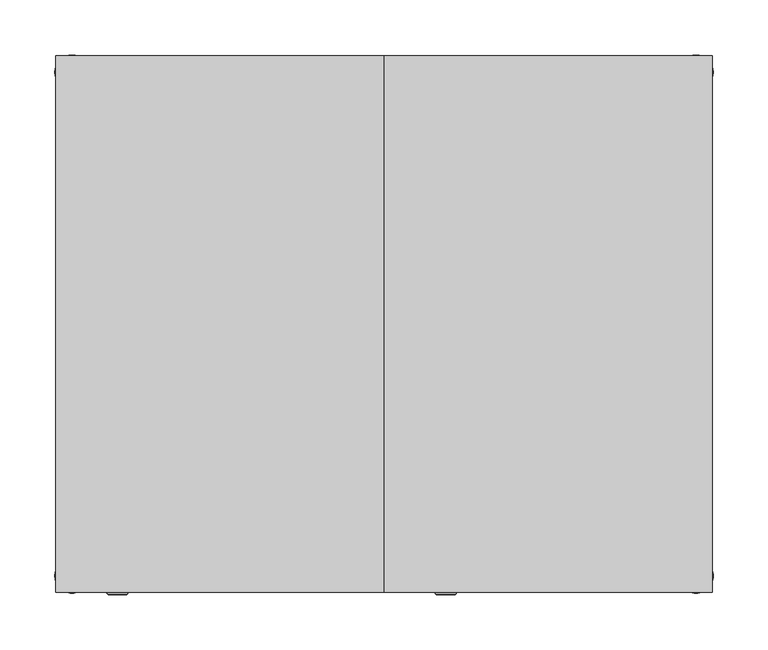
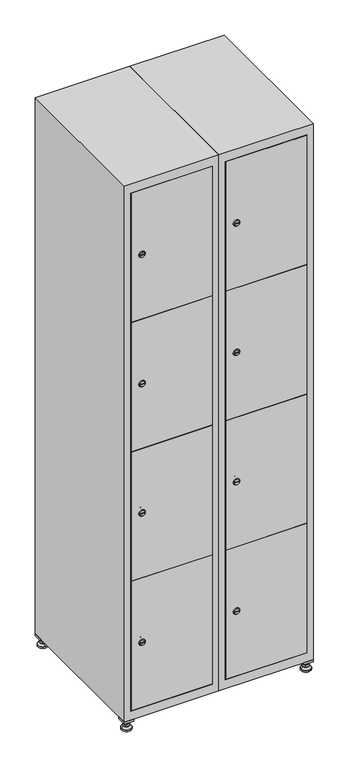
"""IFC4 building model written with IfcOpenShell, lengths in millimetres: furniture geometry."""

from ifc_helpers import new_model, si_unit, point, frame, frame_2d, origin, origin_with_axes, place, context, project, spatial, polyline, circle_curve, trimmed, segment, composite_curve, outline, extrude, faceted_brep, source, transform, mapped, element, save
from ifc_brep_helpers import plane_surface, revolved_surface, advanced_brep


def furniture_9e911278(model_context):
    return source(origin(), model_context, "Body", "SolidModel", [
        extrude(outline(polyline([(400.0, 245.0), (400.0, 215.0), (370.0, 215.0), (370.0, 245.0), (400.0, 245.0)]), holes=[polyline([(398.0, 243.0), (372.0, 243.0), (372.0, 217.0), (398.0, 217.0), (398.0, 243.0)])]), frame((0.0, 0.0, 28.5), z_axis=(0.0, 0.0, 1.0), x_axis=(1.0, 0.0, 0.0)), (0.0, 0.0, 1.0), 6.5),
        extrude(outline(polyline([(370.0, -245.0), (370.0, -215.0), (400.0, -215.0), (400.0, -245.0), (370.0, -245.0)]), holes=[polyline([(372.0, -243.0), (398.0, -243.0), (398.0, -217.0), (372.0, -217.0), (372.0, -243.0)])]), frame((0.0, 0.0, 28.5), z_axis=(0.0, 0.0, 1.0), x_axis=(1.0, 0.0, 0.0)), (0.0, 0.0, 1.0), 6.5),
        extrude(outline(polyline([(-170.0, 245.0), (-170.0, 215.0), (-200.0, 215.0), (-200.0, 245.0), (-170.0, 245.0)]), holes=[polyline([(-172.0, 243.0), (-198.0, 243.0), (-198.0, 217.0), (-172.0, 217.0), (-172.0, 243.0)])]), frame((0.0, 0.0, 28.5), z_axis=(0.0, 0.0, 1.0), x_axis=(1.0, 0.0, 0.0)), (0.0, 0.0, 1.0), 6.5),
        extrude(outline(polyline([(-170.0, -215.0), (-170.0, -245.0), (-200.0, -245.0), (-200.0, -215.0), (-170.0, -215.0)]), holes=[polyline([(-198.0, -243.0), (-172.0, -243.0), (-172.0, -217.0), (-198.0, -217.0), (-198.0, -243.0)])]), frame((0.0, 0.0, 28.5), z_axis=(0.0, 0.0, 1.0), x_axis=(1.0, 0.0, 0.0)), (0.0, 0.0, 1.0), 6.5),
        extrude(outline(composite_curve([segment(trimmed(circle_curve(frame_2d((-185.0, 230.0)), 5.0), [point((-180.0, 230.0))], [point((-190.0, 230.0))], False, "CARTESIAN"), True, "CONTINUOUS"), segment(trimmed(circle_curve(frame_2d((-185.0, 230.0)), 5.0), [point((-190.0, 230.0))], [point((-180.0, 230.0))], False, "CARTESIAN"), True, "CONTINUOUS")], self_intersect=False)), frame((0.0, 0.0, 19.6), z_axis=(0.0, 0.0, 1.0), x_axis=(1.0, 0.0, 0.0)), (0.0, 0.0, 1.0), 15.4),
        extrude(outline(composite_curve([segment(trimmed(circle_curve(frame_2d((-185.0, -230.0)), 5.0), [point((-180.0, -230.0))], [point((-190.0, -230.0))], False, "CARTESIAN"), True, "CONTINUOUS"), segment(trimmed(circle_curve(frame_2d((-185.0, -230.0)), 5.0), [point((-190.0, -230.0))], [point((-180.0, -230.0))], False, "CARTESIAN"), True, "CONTINUOUS")], self_intersect=False)), frame((0.0, 0.0, 19.6), z_axis=(0.0, 0.0, 1.0), x_axis=(1.0, 0.0, 0.0)), (0.0, 0.0, 1.0), 15.4),
        extrude(outline(composite_curve([segment(trimmed(circle_curve(frame_2d((385.0, 230.0)), 5.0), [point((390.0, 230.0))], [point((380.0, 230.0))], False, "CARTESIAN"), True, "CONTINUOUS"), segment(trimmed(circle_curve(frame_2d((385.0, 230.0)), 5.0), [point((380.0, 230.0))], [point((390.0, 230.0))], False, "CARTESIAN"), True, "CONTINUOUS")], self_intersect=False)), frame((0.0, 0.0, 19.6), z_axis=(0.0, 0.0, 1.0), x_axis=(1.0, 0.0, 0.0)), (0.0, 0.0, 1.0), 15.4),
        extrude(outline(polyline([(373.4529946, 230.0), (379.2264973, 240.0), (390.7735027, 240.0), (396.5470054, 230.0), (390.7735027, 220.0), (379.2264973, 220.0), (373.4529946, 230.0)])), frame((0.0, 0.0, 13.6), z_axis=(0.0, 0.0, 1.0), x_axis=(1.0, 0.0, 0.0)), (0.0, 0.0, 1.0), 6.0),
        extrude(outline(composite_curve([segment(trimmed(circle_curve(frame_2d((385.0, -230.0)), 5.0), [point((390.0, -230.0))], [point((380.0, -230.0))], False, "CARTESIAN"), True, "CONTINUOUS"), segment(trimmed(circle_curve(frame_2d((385.0, -230.0)), 5.0), [point((380.0, -230.0))], [point((390.0, -230.0))], False, "CARTESIAN"), True, "CONTINUOUS")], self_intersect=False)), frame((0.0, 0.0, 19.6), z_axis=(0.0, 0.0, 1.0), x_axis=(1.0, 0.0, 0.0)), (0.0, 0.0, 1.0), 15.4),
        extrude(outline(polyline([(373.4529946, -230.0), (379.2264973, -220.0), (390.7735027, -220.0), (396.5470054, -230.0), (390.7735027, -240.0), (379.2264973, -240.0), (373.4529946, -230.0)])), frame((0.0, 0.0, 13.6), z_axis=(0.0, 0.0, 1.0), x_axis=(1.0, 0.0, 0.0)), (0.0, 0.0, 1.0), 6.0),
        extrude(outline(composite_curve([segment(trimmed(circle_curve(frame_2d((385.0, 230.0)), 5.0), [point((390.0, 230.0))], [point((380.0, 230.0))], False, "CARTESIAN"), True, "CONTINUOUS"), segment(trimmed(circle_curve(frame_2d((385.0, 230.0)), 5.0), [point((380.0, 230.0))], [point((390.0, 230.0))], False, "CARTESIAN"), True, "CONTINUOUS")], self_intersect=False)), frame((0.0, 0.0, 12.1), z_axis=(0.0, 0.0, 1.0), x_axis=(1.0, 0.0, 0.0)), (0.0, 0.0, 1.0), 1.5),
        extrude(outline(composite_curve([segment(trimmed(circle_curve(frame_2d((385.0, -230.0)), 5.0), [point((390.0, -230.0))], [point((380.0, -230.0))], False, "CARTESIAN"), True, "CONTINUOUS"), segment(trimmed(circle_curve(frame_2d((385.0, -230.0)), 5.0), [point((380.0, -230.0))], [point((390.0, -230.0))], False, "CARTESIAN"), True, "CONTINUOUS")], self_intersect=False)), frame((0.0, 0.0, 12.1), z_axis=(0.0, 0.0, 1.0), x_axis=(1.0, 0.0, 0.0)), (0.0, 0.0, 1.0), 1.5),
        extrude(outline(polyline([(-196.5470054, 230.0), (-190.7735027, 240.0), (-179.2264973, 240.0), (-173.4529946, 230.0), (-179.2264973, 220.0), (-190.7735027, 220.0), (-196.5470054, 230.0)])), frame((0.0, 0.0, 13.6), z_axis=(0.0, 0.0, 1.0), x_axis=(1.0, 0.0, 0.0)), (0.0, 0.0, 1.0), 6.0),
        extrude(outline(polyline([(-196.5470054, -230.0), (-190.7735027, -220.0), (-179.2264973, -220.0), (-173.4529946, -230.0), (-179.2264973, -240.0), (-190.7735027, -240.0), (-196.5470054, -230.0)])), frame((0.0, 0.0, 13.6), z_axis=(0.0, 0.0, 1.0), x_axis=(1.0, 0.0, 0.0)), (0.0, 0.0, 1.0), 6.0),
        extrude(outline(composite_curve([segment(trimmed(circle_curve(frame_2d((-185.0, 230.0)), 5.0), [point((-185.0, 235.0))], [point((-185.0, 225.0))], False, "CARTESIAN"), True, "CONTINUOUS"), segment(trimmed(circle_curve(frame_2d((-185.0, 230.0)), 5.0), [point((-185.0, 225.0))], [point((-185.0, 235.0))], False, "CARTESIAN"), True, "CONTINUOUS")], self_intersect=False)), frame((0.0, 0.0, 12.1), z_axis=(0.0, 0.0, 1.0), x_axis=(1.0, 0.0, 0.0)), (0.0, 0.0, 1.0), 1.5),
        extrude(outline(composite_curve([segment(trimmed(circle_curve(frame_2d((-185.0, -230.0)), 5.0), [point((-180.0, -230.0))], [point((-190.0, -230.0))], False, "CARTESIAN"), True, "CONTINUOUS"), segment(trimmed(circle_curve(frame_2d((-185.0, -230.0)), 5.0), [point((-190.0, -230.0))], [point((-180.0, -230.0))], False, "CARTESIAN"), True, "CONTINUOUS")], self_intersect=False)), frame((0.0, 0.0, 12.1), z_axis=(0.0, 0.0, 1.0), x_axis=(1.0, 0.0, 0.0)), (0.0, 0.0, 1.0), 1.5),
        extrude(outline(composite_curve([segment(trimmed(circle_curve(frame_2d((385.0, 230.0)), 15.75), [point((400.75, 230.0))], [point((369.25, 230.0))], False, "CARTESIAN"), True, "CONTINUOUS"), segment(trimmed(circle_curve(frame_2d((385.0, 230.0)), 15.75), [point((369.25, 230.0))], [point((400.75, 230.0))], False, "CARTESIAN"), True, "CONTINUOUS")], self_intersect=False)), origin_with_axes(), (0.0, 0.0, 1.0), 5.1),
        extrude(outline(composite_curve([segment(trimmed(circle_curve(frame_2d((385.0, -230.0)), 15.75), [point((385.0, -214.25))], [point((385.0, -245.75))], False, "CARTESIAN"), True, "CONTINUOUS"), segment(trimmed(circle_curve(frame_2d((385.0, -230.0)), 15.75), [point((385.0, -245.75))], [point((385.0, -214.25))], False, "CARTESIAN"), True, "CONTINUOUS")], self_intersect=False)), origin_with_axes(), (0.0, 0.0, 1.0), 5.1),
        extrude(outline(composite_curve([segment(trimmed(circle_curve(frame_2d((-185.0, -230.0)), 15.75), [point((-169.25, -230.0))], [point((-200.75, -230.0))], False, "CARTESIAN"), True, "CONTINUOUS"), segment(trimmed(circle_curve(frame_2d((-185.0, -230.0)), 15.75), [point((-200.75, -230.0))], [point((-169.25, -230.0))], False, "CARTESIAN"), True, "CONTINUOUS")], self_intersect=False)), origin_with_axes(), (0.0, 0.0, 1.0), 5.1),
        extrude(outline(composite_curve([segment(trimmed(circle_curve(frame_2d((-185.0, 230.0)), 15.75), [point((-169.25, 230.0))], [point((-200.75, 230.0))], False, "CARTESIAN"), True, "CONTINUOUS"), segment(trimmed(circle_curve(frame_2d((-185.0, 230.0)), 15.75), [point((-200.75, 230.0))], [point((-169.25, 230.0))], False, "CARTESIAN"), True, "CONTINUOUS")], self_intersect=False)), origin_with_axes(), (0.0, 0.0, 1.0), 5.1),
        advanced_brep(
        [(-185.0, 245.75, 5.1), (-185.0, 214.25, 5.1), (-185.0, 239.5, 12.1), (-185.0, 220.5, 12.1)],
        [
            (0, 1, circle_curve(frame((-185.0, 230.0, 5.1), z_axis=(0.0, 0.0, -1.0), x_axis=(0.0, 1.0, 0.0)), 15.75)),
            (1, 0, circle_curve(frame((-185.0, 230.0, 5.1), z_axis=(0.0, 0.0, -1.0), x_axis=(0.0, -1.0, 0.0)), 15.75)),
            (2, 3, circle_curve(frame((-185.0, 230.0, 12.1), z_axis=(0.0, 0.0, 1.0), x_axis=(0.0, -1.0, 0.0)), 9.5)),
            (3, 2, circle_curve(frame((-185.0, 230.0, 12.1), z_axis=(0.0, 0.0, 1.0), x_axis=(0.0, 1.0, 0.0)), 9.5)),
            (3, 1),
            (0, 2),
        ],
        [
            plane_surface(frame((-185.0, 230.0, 5.1), z_axis=(0.0, 0.0, -1.0), x_axis=(1.0, 0.0, 0.0))),
            plane_surface(frame((-185.0, 230.0, 12.1), z_axis=(0.0, 0.0, 1.0), x_axis=(1.0, 0.0, 0.0))),
            revolved_surface(polyline([(-185.0, 220.5, 12.099999999999998), (-185.0, 214.25, 5.099999999999998)]), (-185.0, 230.0, 22.74), (0.0, 0.0, -1.0)),
            revolved_surface(polyline([(-185.0, 239.5, 12.099999999999998), (-185.0, 245.75, 5.099999999999998)]), (-185.0, 230.0, 22.74), (0.0, 0.0, -1.0)),
        ],
        [
            (0, [[1, 2]]),
            (1, [[3, 4]]),
            (2, [[-4, 5, -1, 6]]),
            (3, [[-3, -6, -2, -5]]),
        ],
    ),
        advanced_brep(
        [(385.0, 245.75, 5.1), (385.0, 214.25, 5.1), (385.0, 239.5, 12.1), (385.0, 220.5, 12.1)],
        [
            (0, 1, circle_curve(frame((385.0, 230.0, 5.1), z_axis=(0.0, 0.0, -1.0), x_axis=(0.0, 1.0, 0.0)), 15.75)),
            (1, 0, circle_curve(frame((385.0, 230.0, 5.1), z_axis=(0.0, 0.0, -1.0), x_axis=(0.0, -1.0, 0.0)), 15.75)),
            (2, 3, circle_curve(frame((385.0, 230.0, 12.1), z_axis=(0.0, 0.0, 1.0), x_axis=(0.0, -1.0, 0.0)), 9.5)),
            (3, 2, circle_curve(frame((385.0, 230.0, 12.1), z_axis=(0.0, 0.0, 1.0), x_axis=(0.0, 1.0, 0.0)), 9.5)),
            (3, 1),
            (0, 2),
        ],
        [
            plane_surface(frame((385.0, 230.0, 5.1), z_axis=(0.0, 0.0, -1.0), x_axis=(1.0, 0.0, 0.0))),
            plane_surface(frame((385.0, 230.0, 12.1), z_axis=(0.0, 0.0, 1.0), x_axis=(1.0, 0.0, 0.0))),
            revolved_surface(polyline([(385.0, 220.5, 12.099999999999998), (385.0, 214.25, 5.099999999999998)]), (385.0, 230.0, 22.74), (0.0, 0.0, -1.0)),
            revolved_surface(polyline([(385.0, 239.5, 12.099999999999998), (385.0, 245.75, 5.099999999999998)]), (385.0, 230.0, 22.74), (0.0, 0.0, -1.0)),
        ],
        [
            (0, [[1, 2]]),
            (1, [[3, 4]]),
            (2, [[-4, 5, -1, 6]]),
            (3, [[-3, -6, -2, -5]]),
        ],
    ),
        advanced_brep(
        [(394.5, -230.0, 12.1), (375.5, -230.0, 12.1), (400.75, -230.0, 5.1), (369.25, -230.0, 5.1)],
        [
            (0, 1, circle_curve(frame((385.0, -230.0, 12.1), z_axis=(0.0, 0.0, 1.0), x_axis=(1.0, 0.0, 0.0)), 9.5)),
            (1, 0, circle_curve(frame((385.0, -230.0, 12.1), z_axis=(0.0, 0.0, 1.0), x_axis=(-1.0, 0.0, 0.0)), 9.5)),
            (2, 3, circle_curve(frame((385.0, -230.0, 5.1), z_axis=(0.0, 0.0, -1.0), x_axis=(-1.0, 0.0, 0.0)), 15.75)),
            (3, 2, circle_curve(frame((385.0, -230.0, 5.1), z_axis=(0.0, 0.0, -1.0), x_axis=(1.0, 0.0, 0.0)), 15.75)),
            (3, 1),
            (0, 2),
        ],
        [
            plane_surface(frame((385.0, -230.0, 12.1), z_axis=(0.0, 0.0, 1.0), x_axis=(0.0, 1.0, 0.0))),
            plane_surface(frame((385.0, -230.0, 5.1), z_axis=(0.0, 0.0, -1.0), x_axis=(0.0, 1.0, 0.0))),
            revolved_surface(polyline([(394.5, -230.0, 12.099999999999998), (400.75, -230.0, 5.099999999999998)]), (385.0, -230.0, 22.74), (0.0, 0.0, -1.0)),
            revolved_surface(polyline([(375.5, -230.0, 12.099999999999998), (369.25, -230.0, 5.099999999999998)]), (385.0, -230.0, 22.74), (0.0, 0.0, -1.0)),
        ],
        [
            (0, [[1, 2]]),
            (1, [[3, 4]]),
            (2, [[-4, 5, -1, 6]]),
            (3, [[-3, -6, -2, -5]]),
        ],
    ),
        advanced_brep(
        [(-175.5, -230.0, 12.1), (-194.5, -230.0, 12.1), (-169.25, -230.0, 5.1), (-200.75, -230.0, 5.1)],
        [
            (0, 1, circle_curve(frame((-185.0, -230.0, 12.1), z_axis=(0.0, 0.0, 1.0), x_axis=(1.0, 0.0, 0.0)), 9.5)),
            (1, 0, circle_curve(frame((-185.0, -230.0, 12.1), z_axis=(0.0, 0.0, 1.0), x_axis=(-1.0, 0.0, 0.0)), 9.5)),
            (2, 3, circle_curve(frame((-185.0, -230.0, 5.1), z_axis=(0.0, 0.0, -1.0), x_axis=(-1.0, 0.0, 0.0)), 15.75)),
            (3, 2, circle_curve(frame((-185.0, -230.0, 5.1), z_axis=(0.0, 0.0, -1.0), x_axis=(1.0, 0.0, 0.0)), 15.75)),
            (3, 1),
            (0, 2),
        ],
        [
            plane_surface(frame((-185.0, -230.0, 12.1), z_axis=(0.0, 0.0, 1.0), x_axis=(0.0, 1.0, 0.0))),
            plane_surface(frame((-185.0, -230.0, 5.1), z_axis=(0.0, 0.0, -1.0), x_axis=(0.0, 1.0, 0.0))),
            revolved_surface(polyline([(-175.5, -230.0, 12.099999999999998), (-169.25, -230.0, 5.099999999999998)]), (-185.0, -230.0, 22.74), (0.0, 0.0, -1.0)),
            revolved_surface(polyline([(-194.5, -230.0, 12.099999999999998), (-200.75, -230.0, 5.099999999999998)]), (-185.0, -230.0, 22.74), (0.0, 0.0, -1.0)),
        ],
        [
            (0, [[1, 2]]),
            (1, [[3, 4]]),
            (2, [[-4, 5, -1, 6]]),
            (3, [[-3, -6, -2, -5]]),
        ],
    ),
        extrude(outline(composite_curve([segment(trimmed(circle_curve(frame_2d((283.4, 129.6010534)), 7.0), [point((290.4, 129.6010534))], [point((276.4, 129.6010534))], False, "CARTESIAN"), True, "CONTINUOUS"), segment(polyline([(276.4, 129.6010534), (276.4, 157.6010534)]), True, "CONTINUOUS"), segment(trimmed(circle_curve(frame_2d((283.4, 157.6010534)), 7.0), [point((276.4, 157.6010534))], [point((290.4, 157.6010534))], False, "CARTESIAN"), True, "CONTINUOUS"), segment(polyline([(290.4, 157.6010534), (290.4, 129.6010534)]), True, "CONTINUOUS")], self_intersect=False)), frame((0.0, -227.0, 0.0), z_axis=(0.0, 1.0, 0.0), x_axis=(0.0, 0.0, 1.0)), (0.0, 0.0, 1.0), 2.0),
        advanced_brep(
        [(164.9, -247.2, 283.4), (147.9, -247.2, 283.4), (151.4, -247.2, 282.15), (151.4, -247.2, 284.65), (161.4, -247.2, 284.65), (161.4, -247.2, 282.15), (166.9, -245.0, 283.4), (145.9, -245.0, 283.4), (151.4, -245.0, 284.65), (151.4, -245.0, 282.15), (161.4, -245.0, 282.15), (161.4, -245.0, 284.65)],
        [
            (0, 1, circle_curve(frame((156.4, -247.2, 283.4), z_axis=(0.0, -1.0, 0.0), x_axis=(1.0, 0.0, 0.0)), 8.5)),
            (1, 0, circle_curve(frame((156.4, -247.2, 283.4), z_axis=(0.0, -1.0, 0.0), x_axis=(-1.0, 0.0, 0.0)), 8.5)),
            (2, 3),
            (3, 4),
            (4, 5),
            (5, 2),
            (6, 7, circle_curve(frame((156.4, -245.0, 283.4), z_axis=(0.0, 1.0, 0.0), x_axis=(-1.0, 0.0, 0.0)), 10.5)),
            (7, 6, circle_curve(frame((156.4, -245.0, 283.4), z_axis=(0.0, 1.0, 0.0), x_axis=(1.0, 0.0, 0.0)), 10.5)),
            (8, 9),
            (9, 10),
            (10, 11),
            (11, 8),
            (0, 6),
            (7, 1),
            (8, 3),
            (2, 9),
            (11, 4),
            (10, 5),
        ],
        [
            plane_surface(frame((156.4, -247.2, 283.4), z_axis=(0.0, -1.0, 0.0), x_axis=(0.0, 0.0, 1.0))),
            plane_surface(frame((156.4, -245.0, 283.4), z_axis=(0.0, 1.0, 0.0), x_axis=(0.0, 0.0, 1.0))),
            revolved_surface(polyline([(164.9, -247.2, 283.4), (166.9, -245.0, 283.4)]), (156.4, -256.55, 283.4), (0.0, 1.0, 0.0)),
            revolved_surface(polyline([(147.9, -247.2, 283.4), (145.9, -245.0, 283.4)]), (156.4, -256.55, 283.4), (0.0, 1.0, 0.0)),
            plane_surface(frame((151.4, -245.0, 282.15), z_axis=(1.0, 0.0, 0.0), x_axis=(0.0, -1.0, 0.0))),
            plane_surface(frame((151.4, -245.0, 284.65), z_axis=(0.0, 0.0, -1.0), x_axis=(0.0, -1.0, 0.0))),
            plane_surface(frame((161.4, -245.0, 284.65), z_axis=(-1.0, 0.0, 0.0), x_axis=(0.0, -1.0, 0.0))),
            plane_surface(frame((161.4, -245.0, 282.15), z_axis=(0.0, 0.0, 1.0), x_axis=(0.0, -1.0, 0.0))),
        ],
        [
            (0, [[1, 2], [3, 4, 5, 6]]),
            (1, [[7, 8], [9, 10, 11, 12]]),
            (2, [[-1, 13, -8, 14]]),
            (3, [[-2, -14, -7, -13]]),
            (4, [[15, -3, 16, -9]]),
            (5, [[-15, -12, 17, -4]]),
            (6, [[-17, -11, 18, -5]]),
            (7, [[-16, -6, -18, -10]]),
        ],
    ),
        extrude(outline(composite_curve([segment(trimmed(circle_curve(frame_2d((717.8, 129.6010534)), 7.0), [point((724.8, 129.6010534))], [point((710.8, 129.6010534))], False, "CARTESIAN"), True, "CONTINUOUS"), segment(polyline([(710.8, 129.6010534), (710.8, 157.6010534)]), True, "CONTINUOUS"), segment(trimmed(circle_curve(frame_2d((717.8, 157.6010534)), 7.0), [point((710.8, 157.6010534))], [point((724.8, 157.6010534))], False, "CARTESIAN"), True, "CONTINUOUS"), segment(polyline([(724.8, 157.6010534), (724.8, 129.6010534)]), True, "CONTINUOUS")], self_intersect=False)), frame((0.0, -227.0, 0.0), z_axis=(0.0, 1.0, 0.0), x_axis=(0.0, 0.0, 1.0)), (0.0, 0.0, 1.0), 2.0),
        advanced_brep(
        [(164.9, -247.2, 717.8), (147.9, -247.2, 717.8), (151.4, -247.2, 716.55), (151.4, -247.2, 719.05), (161.4, -247.2, 719.05), (161.4, -247.2, 716.55), (166.9, -245.0, 717.8), (145.9, -245.0, 717.8), (151.4, -245.0, 719.05), (151.4, -245.0, 716.55), (161.4, -245.0, 716.55), (161.4, -245.0, 719.05)],
        [
            (0, 1, circle_curve(frame((156.4, -247.2, 717.8), z_axis=(0.0, -1.0, 0.0), x_axis=(1.0, 0.0, 0.0)), 8.5)),
            (1, 0, circle_curve(frame((156.4, -247.2, 717.8), z_axis=(0.0, -1.0, 0.0), x_axis=(-1.0, 0.0, 0.0)), 8.5)),
            (2, 3),
            (3, 4),
            (4, 5),
            (5, 2),
            (6, 7, circle_curve(frame((156.4, -245.0, 717.8), z_axis=(0.0, 1.0, 0.0), x_axis=(-1.0, 0.0, 0.0)), 10.5)),
            (7, 6, circle_curve(frame((156.4, -245.0, 717.8), z_axis=(0.0, 1.0, 0.0), x_axis=(1.0, 0.0, 0.0)), 10.5)),
            (8, 9),
            (9, 10),
            (10, 11),
            (11, 8),
            (0, 6),
            (7, 1),
            (8, 3),
            (2, 9),
            (11, 4),
            (10, 5),
        ],
        [
            plane_surface(frame((156.4, -247.2, 717.8), z_axis=(0.0, -1.0, 0.0), x_axis=(0.0, 0.0, 1.0))),
            plane_surface(frame((156.4, -245.0, 717.8), z_axis=(0.0, 1.0, 0.0), x_axis=(0.0, 0.0, 1.0))),
            revolved_surface(polyline([(164.9, -247.2, 717.8), (166.9, -245.0, 717.8)]), (156.4, -256.55, 717.8), (0.0, 1.0, 0.0)),
            revolved_surface(polyline([(147.9, -247.2, 717.8), (145.9, -245.0, 717.8)]), (156.4, -256.55, 717.8), (0.0, 1.0, 0.0)),
            plane_surface(frame((151.4, -245.0, 716.55), z_axis=(1.0, 0.0, 0.0), x_axis=(0.0, -1.0, 0.0))),
            plane_surface(frame((151.4, -245.0, 719.05), z_axis=(0.0, 0.0, -1.0), x_axis=(0.0, -1.0, 0.0))),
            plane_surface(frame((161.4, -245.0, 719.05), z_axis=(-1.0, 0.0, 0.0), x_axis=(0.0, -1.0, 0.0))),
            plane_surface(frame((161.4, -245.0, 716.55), z_axis=(0.0, 0.0, 1.0), x_axis=(0.0, -1.0, 0.0))),
        ],
        [
            (0, [[1, 2], [3, 4, 5, 6]]),
            (1, [[7, 8], [9, 10, 11, 12]]),
            (2, [[-1, 13, -8, 14]]),
            (3, [[-2, -14, -7, -13]]),
            (4, [[15, -3, 16, -9]]),
            (5, [[-15, -12, 17, -4]]),
            (6, [[-17, -11, 18, -5]]),
            (7, [[-16, -6, -18, -10]]),
        ],
    ),
        extrude(outline(composite_curve([segment(trimmed(circle_curve(frame_2d((1152.2, 129.6010534)), 7.0), [point((1159.2, 129.6010534))], [point((1145.2, 129.6010534))], False, "CARTESIAN"), True, "CONTINUOUS"), segment(polyline([(1145.2, 129.6010534), (1145.2, 157.6010534)]), True, "CONTINUOUS"), segment(trimmed(circle_curve(frame_2d((1152.2, 157.6010534)), 7.0), [point((1145.2, 157.6010534))], [point((1159.2, 157.6010534))], False, "CARTESIAN"), True, "CONTINUOUS"), segment(polyline([(1159.2, 157.6010534), (1159.2, 129.6010534)]), True, "CONTINUOUS")], self_intersect=False)), frame((0.0, -227.0, 0.0), z_axis=(0.0, 1.0, 0.0), x_axis=(0.0, 0.0, 1.0)), (0.0, 0.0, 1.0), 2.0),
        advanced_brep(
        [(164.9, -247.2, 1152.2), (147.9, -247.2, 1152.2), (151.4, -247.2, 1150.95), (151.4, -247.2, 1153.45), (161.4, -247.2, 1153.45), (161.4, -247.2, 1150.95), (166.9, -245.0, 1152.2), (145.9, -245.0, 1152.2), (151.4, -245.0, 1153.45), (151.4, -245.0, 1150.95), (161.4, -245.0, 1150.95), (161.4, -245.0, 1153.45)],
        [
            (0, 1, circle_curve(frame((156.4, -247.2, 1152.2), z_axis=(0.0, -1.0, 0.0), x_axis=(1.0, 0.0, 0.0)), 8.5)),
            (1, 0, circle_curve(frame((156.4, -247.2, 1152.2), z_axis=(0.0, -1.0, 0.0), x_axis=(-1.0, 0.0, 0.0)), 8.5)),
            (2, 3),
            (3, 4),
            (4, 5),
            (5, 2),
            (6, 7, circle_curve(frame((156.4, -245.0, 1152.2), z_axis=(0.0, 1.0, 0.0), x_axis=(-1.0, 0.0, 0.0)), 10.5)),
            (7, 6, circle_curve(frame((156.4, -245.0, 1152.2), z_axis=(0.0, 1.0, 0.0), x_axis=(1.0, 0.0, 0.0)), 10.5)),
            (8, 9),
            (9, 10),
            (10, 11),
            (11, 8),
            (0, 6),
            (7, 1),
            (8, 3),
            (2, 9),
            (11, 4),
            (10, 5),
        ],
        [
            plane_surface(frame((156.4, -247.2, 1152.2), z_axis=(0.0, -1.0, 0.0), x_axis=(0.0, 0.0, 1.0))),
            plane_surface(frame((156.4, -245.0, 1152.2), z_axis=(0.0, 1.0, 0.0), x_axis=(0.0, 0.0, 1.0))),
            revolved_surface(polyline([(164.9, -247.2, 1152.2), (166.9, -245.0, 1152.2)]), (156.4, -256.55, 1152.2), (0.0, 1.0, 0.0)),
            revolved_surface(polyline([(147.9, -247.2, 1152.2), (145.9, -245.0, 1152.2)]), (156.4, -256.55, 1152.2), (0.0, 1.0, 0.0)),
            plane_surface(frame((151.4, -245.0, 1150.95), z_axis=(1.0, 0.0, 0.0), x_axis=(0.0, -1.0, 0.0))),
            plane_surface(frame((151.4, -245.0, 1153.45), z_axis=(0.0, 0.0, -1.0), x_axis=(0.0, -1.0, 0.0))),
            plane_surface(frame((161.4, -245.0, 1153.45), z_axis=(-1.0, 0.0, 0.0), x_axis=(0.0, -1.0, 0.0))),
            plane_surface(frame((161.4, -245.0, 1150.95), z_axis=(0.0, 0.0, 1.0), x_axis=(0.0, -1.0, 0.0))),
        ],
        [
            (0, [[1, 2], [3, 4, 5, 6]]),
            (1, [[7, 8], [9, 10, 11, 12]]),
            (2, [[-1, 13, -8, 14]]),
            (3, [[-2, -14, -7, -13]]),
            (4, [[15, -3, 16, -9]]),
            (5, [[-15, -12, 17, -4]]),
            (6, [[-17, -11, 18, -5]]),
            (7, [[-16, -6, -18, -10]]),
        ],
    ),
        extrude(outline(composite_curve([segment(trimmed(circle_curve(frame_2d((1586.6, 129.6010534)), 7.0), [point((1593.6, 129.6010534))], [point((1579.6, 129.6010534))], False, "CARTESIAN"), True, "CONTINUOUS"), segment(polyline([(1579.6, 129.6010534), (1579.6, 157.6010534)]), True, "CONTINUOUS"), segment(trimmed(circle_curve(frame_2d((1586.6, 157.6010534)), 7.0), [point((1579.6, 157.6010534))], [point((1593.6, 157.6010534))], False, "CARTESIAN"), True, "CONTINUOUS"), segment(polyline([(1593.6, 157.6010534), (1593.6, 129.6010534)]), True, "CONTINUOUS")], self_intersect=False)), frame((0.0, -227.0, 0.0), z_axis=(0.0, 1.0, 0.0), x_axis=(0.0, 0.0, 1.0)), (0.0, 0.0, 1.0), 2.0),
        advanced_brep(
        [(164.9, -247.2, 1586.6), (147.9, -247.2, 1586.6), (151.4, -247.2, 1585.35), (151.4, -247.2, 1587.85), (161.4, -247.2, 1587.85), (161.4, -247.2, 1585.35), (166.9, -245.0, 1586.6), (145.9, -245.0, 1586.6), (151.4, -245.0, 1587.85), (151.4, -245.0, 1585.35), (161.4, -245.0, 1585.35), (161.4, -245.0, 1587.85)],
        [
            (0, 1, circle_curve(frame((156.4, -247.2, 1586.6), z_axis=(0.0, -1.0, 0.0), x_axis=(1.0, 0.0, 0.0)), 8.5)),
            (1, 0, circle_curve(frame((156.4, -247.2, 1586.6), z_axis=(0.0, -1.0, 0.0), x_axis=(-1.0, 0.0, 0.0)), 8.5)),
            (2, 3),
            (3, 4),
            (4, 5),
            (5, 2),
            (6, 7, circle_curve(frame((156.4, -245.0, 1586.6), z_axis=(0.0, 1.0, 0.0), x_axis=(-1.0, 0.0, 0.0)), 10.5)),
            (7, 6, circle_curve(frame((156.4, -245.0, 1586.6), z_axis=(0.0, 1.0, 0.0), x_axis=(1.0, 0.0, 0.0)), 10.5)),
            (8, 9),
            (9, 10),
            (10, 11),
            (11, 8),
            (0, 6),
            (7, 1),
            (8, 3),
            (2, 9),
            (11, 4),
            (10, 5),
        ],
        [
            plane_surface(frame((156.4, -247.2, 1586.6), z_axis=(0.0, -1.0, 0.0), x_axis=(0.0, 0.0, 1.0))),
            plane_surface(frame((156.4, -245.0, 1586.6), z_axis=(0.0, 1.0, 0.0), x_axis=(0.0, 0.0, 1.0))),
            revolved_surface(polyline([(164.9, -247.2, 1586.6), (166.9, -245.0, 1586.6)]), (156.4, -256.55, 1586.6), (0.0, 1.0, 0.0)),
            revolved_surface(polyline([(147.9, -247.2, 1586.6), (145.9, -245.0, 1586.6)]), (156.4, -256.55, 1586.6), (0.0, 1.0, 0.0)),
            plane_surface(frame((151.4, -245.0, 1585.35), z_axis=(1.0, 0.0, 0.0), x_axis=(0.0, -1.0, 0.0))),
            plane_surface(frame((151.4, -245.0, 1587.85), z_axis=(0.0, 0.0, -1.0), x_axis=(0.0, -1.0, 0.0))),
            plane_surface(frame((161.4, -245.0, 1587.85), z_axis=(-1.0, 0.0, 0.0), x_axis=(0.0, -1.0, 0.0))),
            plane_surface(frame((161.4, -245.0, 1585.35), z_axis=(0.0, 0.0, 1.0), x_axis=(0.0, -1.0, 0.0))),
        ],
        [
            (0, [[1, 2], [3, 4, 5, 6]]),
            (1, [[7, 8], [9, 10, 11, 12]]),
            (2, [[-1, 13, -8, 14]]),
            (3, [[-2, -14, -7, -13]]),
            (4, [[15, -3, 16, -9]]),
            (5, [[-15, -12, 17, -4]]),
            (6, [[-17, -11, 18, -5]]),
            (7, [[-16, -6, -18, -10]]),
        ],
    ),
        extrude(outline(polyline([(378.6, -227.0), (378.6, -245.0), (121.4, -245.0), (121.4, -227.0), (378.6, -227.0)])), frame((0.0, 0.0, 500.1), z_axis=(0.0, 0.0, 1.0), x_axis=(1.0, 0.0, 0.0)), (0.0, 0.0, 1.0), 434.4),
        extrude(outline(polyline([(378.6, -227.0), (378.6, -245.0), (121.4, -245.0), (121.4, -227.0), (378.6, -227.0)])), frame((0.0, 0.0, 935.5), z_axis=(0.0, 0.0, 1.0), x_axis=(1.0, 0.0, 0.0)), (0.0, 0.0, 1.0), 433.4),
        extrude(outline(polyline([(121.4, -245.0), (121.4, -227.0), (378.6, -227.0), (378.6, -245.0), (121.4, -245.0)])), frame((0.0, 0.0, 1369.9), z_axis=(0.0, 0.0, 1.0), x_axis=(1.0, 0.0, 0.0)), (0.0, 0.0, 1.0), 433.9),
        extrude(outline(polyline([(378.6, -227.0), (378.6, -245.0), (121.4, -245.0), (121.4, -227.0), (378.6, -227.0)])), frame((0.0, 0.0, 66.2), z_axis=(0.0, 0.0, 1.0), x_axis=(1.0, 0.0, 0.0)), (0.0, 0.0, 1.0), 434.9),
        extrude(outline(polyline([(379.6, 242.0), (379.6, -227.0), (120.4, -227.0), (120.4, 242.0), (379.6, 242.0)])), frame((0.0, 0.0, 1359.7), z_axis=(0.0, 0.0, 1.0), x_axis=(1.0, 0.0, 0.0)), (0.0, 0.0, 1.0), 20.4),
        extrude(outline(polyline([(379.6, 242.0), (379.6, -227.0), (120.4, -227.0), (120.4, 242.0), (379.6, 242.0)])), frame((0.0, 0.0, 924.8), z_axis=(0.0, 0.0, 1.0), x_axis=(1.0, 0.0, 0.0)), (0.0, 0.0, 1.0), 20.4),
        extrude(outline(polyline([(379.6, 242.0), (379.6, -227.0), (120.4, -227.0), (120.4, 242.0), (379.6, 242.0)])), frame((0.0, 0.0, 489.9), z_axis=(0.0, 0.0, 1.0), x_axis=(1.0, 0.0, 0.0)), (0.0, 0.0, 1.0), 20.4),
        faceted_brep([(400.0, -245.0, 35.0), (400.0, -245.0, 1835.0), (100.0, -245.0, 1835.0), (100.0, -245.0, 35.0), (379.6, -245.0, 1804.8), (379.6, -245.0, 65.2), (120.4, -245.0, 65.2), (120.4, -245.0, 1804.8), (400.0, 245.0, 35.0), (100.0, 245.0, 35.0), (400.0, 245.0, 1835.0), (100.0, 245.0, 1835.0), (379.6, 242.0, 1804.8), (379.6, 242.0, 65.2), (100.0, 245.0, 1804.8), (120.4, 242.0, 1804.8), (120.4, 242.0, 65.2)], [[[0, 1, 2, 3], [4, 5, 6, 7]], [[8, 0, 3, 9]], [[1, 0, 8, 10]], [[1, 10, 11, 2]], [[4, 12, 13, 5]], [[9, 3, 2, 11, 14]], [[10, 8, 9, 14, 11]], [[12, 15, 16, 13]], [[15, 7, 6, 16]], [[4, 7, 15, 12]], [[6, 5, 13, 16]]]),
        extrude(outline(composite_curve([segment(trimmed(circle_curve(frame_2d((283.4, -170.3989466)), 7.0), [point((290.4, -170.3989466))], [point((276.4, -170.3989466))], False, "CARTESIAN"), True, "CONTINUOUS"), segment(polyline([(276.4, -170.3989466), (276.4, -142.3989466)]), True, "CONTINUOUS"), segment(trimmed(circle_curve(frame_2d((283.4, -142.3989466)), 7.0), [point((276.4, -142.3989466))], [point((290.4, -142.3989466))], False, "CARTESIAN"), True, "CONTINUOUS"), segment(polyline([(290.4, -142.3989466), (290.4, -170.3989466)]), True, "CONTINUOUS")], self_intersect=False)), frame((0.0, -227.0, 0.0), z_axis=(0.0, 1.0, 0.0), x_axis=(0.0, 0.0, 1.0)), (0.0, 0.0, 1.0), 2.0),
        advanced_brep(
        [(-135.1, -247.2, 283.4), (-152.1, -247.2, 283.4), (-148.6, -247.2, 282.15), (-148.6, -247.2, 284.65), (-138.6, -247.2, 284.65), (-138.6, -247.2, 282.15), (-133.1, -245.0, 283.4), (-154.1, -245.0, 283.4), (-148.6, -245.0, 284.65), (-148.6, -245.0, 282.15), (-138.6, -245.0, 282.15), (-138.6, -245.0, 284.65)],
        [
            (0, 1, circle_curve(frame((-143.6, -247.2, 283.4), z_axis=(0.0, -1.0, 0.0), x_axis=(1.0, 0.0, 0.0)), 8.5)),
            (1, 0, circle_curve(frame((-143.6, -247.2, 283.4), z_axis=(0.0, -1.0, 0.0), x_axis=(-1.0, 0.0, 0.0)), 8.5)),
            (2, 3),
            (3, 4),
            (4, 5),
            (5, 2),
            (6, 7, circle_curve(frame((-143.6, -245.0, 283.4), z_axis=(0.0, 1.0, 0.0), x_axis=(-1.0, 0.0, 0.0)), 10.5)),
            (7, 6, circle_curve(frame((-143.6, -245.0, 283.4), z_axis=(0.0, 1.0, 0.0), x_axis=(1.0, 0.0, 0.0)), 10.5)),
            (8, 9),
            (9, 10),
            (10, 11),
            (11, 8),
            (0, 6),
            (7, 1),
            (8, 3),
            (2, 9),
            (11, 4),
            (10, 5),
        ],
        [
            plane_surface(frame((-143.6, -247.2, 283.4), z_axis=(0.0, -1.0, 0.0), x_axis=(0.0, 0.0, 1.0))),
            plane_surface(frame((-143.6, -245.0, 283.4), z_axis=(0.0, 1.0, 0.0), x_axis=(0.0, 0.0, 1.0))),
            revolved_surface(polyline([(-135.1, -247.2, 283.4), (-133.1, -245.0, 283.4)]), (-143.6, -256.55, 283.4), (0.0, 1.0, 0.0)),
            revolved_surface(polyline([(-152.1, -247.2, 283.4), (-154.1, -245.0, 283.4)]), (-143.6, -256.55, 283.4), (0.0, 1.0, 0.0)),
            plane_surface(frame((-148.6, -245.0, 282.15), z_axis=(1.0, 0.0, 0.0), x_axis=(0.0, -1.0, 0.0))),
            plane_surface(frame((-148.6, -245.0, 284.65), z_axis=(0.0, 0.0, -1.0), x_axis=(0.0, -1.0, 0.0))),
            plane_surface(frame((-138.6, -245.0, 284.65), z_axis=(-1.0, 0.0, 0.0), x_axis=(0.0, -1.0, 0.0))),
            plane_surface(frame((-138.6, -245.0, 282.15), z_axis=(0.0, 0.0, 1.0), x_axis=(0.0, -1.0, 0.0))),
        ],
        [
            (0, [[1, 2], [3, 4, 5, 6]]),
            (1, [[7, 8], [9, 10, 11, 12]]),
            (2, [[-1, 13, -8, 14]]),
            (3, [[-2, -14, -7, -13]]),
            (4, [[15, -3, 16, -9]]),
            (5, [[-15, -12, 17, -4]]),
            (6, [[-17, -11, 18, -5]]),
            (7, [[-16, -6, -18, -10]]),
        ],
    ),
        extrude(outline(composite_curve([segment(trimmed(circle_curve(frame_2d((717.8, -170.3989466)), 7.0), [point((724.8, -170.3989466))], [point((710.8, -170.3989466))], False, "CARTESIAN"), True, "CONTINUOUS"), segment(polyline([(710.8, -170.3989466), (710.8, -142.3989466)]), True, "CONTINUOUS"), segment(trimmed(circle_curve(frame_2d((717.8, -142.3989466)), 7.0), [point((710.8, -142.3989466))], [point((724.8, -142.3989466))], False, "CARTESIAN"), True, "CONTINUOUS"), segment(polyline([(724.8, -142.3989466), (724.8, -170.3989466)]), True, "CONTINUOUS")], self_intersect=False)), frame((0.0, -227.0, 0.0), z_axis=(0.0, 1.0, 0.0), x_axis=(0.0, 0.0, 1.0)), (0.0, 0.0, 1.0), 2.0),
        advanced_brep(
        [(-135.1, -247.2, 717.8), (-152.1, -247.2, 717.8), (-148.6, -247.2, 716.55), (-148.6, -247.2, 719.05), (-138.6, -247.2, 719.05), (-138.6, -247.2, 716.55), (-133.1, -245.0, 717.8), (-154.1, -245.0, 717.8), (-148.6, -245.0, 719.05), (-148.6, -245.0, 716.55), (-138.6, -245.0, 716.55), (-138.6, -245.0, 719.05)],
        [
            (0, 1, circle_curve(frame((-143.6, -247.2, 717.8), z_axis=(0.0, -1.0, 0.0), x_axis=(1.0, 0.0, 0.0)), 8.5)),
            (1, 0, circle_curve(frame((-143.6, -247.2, 717.8), z_axis=(0.0, -1.0, 0.0), x_axis=(-1.0, 0.0, 0.0)), 8.5)),
            (2, 3),
            (3, 4),
            (4, 5),
            (5, 2),
            (6, 7, circle_curve(frame((-143.6, -245.0, 717.8), z_axis=(0.0, 1.0, 0.0), x_axis=(-1.0, 0.0, 0.0)), 10.5)),
            (7, 6, circle_curve(frame((-143.6, -245.0, 717.8), z_axis=(0.0, 1.0, 0.0), x_axis=(1.0, 0.0, 0.0)), 10.5)),
            (8, 9),
            (9, 10),
            (10, 11),
            (11, 8),
            (0, 6),
            (7, 1),
            (8, 3),
            (2, 9),
            (11, 4),
            (10, 5),
        ],
        [
            plane_surface(frame((-143.6, -247.2, 717.8), z_axis=(0.0, -1.0, 0.0), x_axis=(0.0, 0.0, 1.0))),
            plane_surface(frame((-143.6, -245.0, 717.8), z_axis=(0.0, 1.0, 0.0), x_axis=(0.0, 0.0, 1.0))),
            revolved_surface(polyline([(-135.1, -247.2, 717.8), (-133.1, -245.0, 717.8)]), (-143.6, -256.55, 717.8), (0.0, 1.0, 0.0)),
            revolved_surface(polyline([(-152.1, -247.2, 717.8), (-154.1, -245.0, 717.8)]), (-143.6, -256.55, 717.8), (0.0, 1.0, 0.0)),
            plane_surface(frame((-148.6, -245.0, 716.55), z_axis=(1.0, 0.0, 0.0), x_axis=(0.0, -1.0, 0.0))),
            plane_surface(frame((-148.6, -245.0, 719.05), z_axis=(0.0, 0.0, -1.0), x_axis=(0.0, -1.0, 0.0))),
            plane_surface(frame((-138.6, -245.0, 719.05), z_axis=(-1.0, 0.0, 0.0), x_axis=(0.0, -1.0, 0.0))),
            plane_surface(frame((-138.6, -245.0, 716.55), z_axis=(0.0, 0.0, 1.0), x_axis=(0.0, -1.0, 0.0))),
        ],
        [
            (0, [[1, 2], [3, 4, 5, 6]]),
            (1, [[7, 8], [9, 10, 11, 12]]),
            (2, [[-1, 13, -8, 14]]),
            (3, [[-2, -14, -7, -13]]),
            (4, [[15, -3, 16, -9]]),
            (5, [[-15, -12, 17, -4]]),
            (6, [[-17, -11, 18, -5]]),
            (7, [[-16, -6, -18, -10]]),
        ],
    ),
        extrude(outline(composite_curve([segment(trimmed(circle_curve(frame_2d((1152.2, -170.3989466)), 7.0), [point((1159.2, -170.3989466))], [point((1145.2, -170.3989466))], False, "CARTESIAN"), True, "CONTINUOUS"), segment(polyline([(1145.2, -170.3989466), (1145.2, -142.3989466)]), True, "CONTINUOUS"), segment(trimmed(circle_curve(frame_2d((1152.2, -142.3989466)), 7.0), [point((1145.2, -142.3989466))], [point((1159.2, -142.3989466))], False, "CARTESIAN"), True, "CONTINUOUS"), segment(polyline([(1159.2, -142.3989466), (1159.2, -170.3989466)]), True, "CONTINUOUS")], self_intersect=False)), frame((0.0, -227.0, 0.0), z_axis=(0.0, 1.0, 0.0), x_axis=(0.0, 0.0, 1.0)), (0.0, 0.0, 1.0), 2.0),
        advanced_brep(
        [(-135.1, -247.2, 1152.2), (-152.1, -247.2, 1152.2), (-148.6, -247.2, 1150.95), (-148.6, -247.2, 1153.45), (-138.6, -247.2, 1153.45), (-138.6, -247.2, 1150.95), (-133.1, -245.0, 1152.2), (-154.1, -245.0, 1152.2), (-148.6, -245.0, 1153.45), (-148.6, -245.0, 1150.95), (-138.6, -245.0, 1150.95), (-138.6, -245.0, 1153.45)],
        [
            (0, 1, circle_curve(frame((-143.6, -247.2, 1152.2), z_axis=(0.0, -1.0, 0.0), x_axis=(1.0, 0.0, 0.0)), 8.5)),
            (1, 0, circle_curve(frame((-143.6, -247.2, 1152.2), z_axis=(0.0, -1.0, 0.0), x_axis=(-1.0, 0.0, 0.0)), 8.5)),
            (2, 3),
            (3, 4),
            (4, 5),
            (5, 2),
            (6, 7, circle_curve(frame((-143.6, -245.0, 1152.2), z_axis=(0.0, 1.0, 0.0), x_axis=(-1.0, 0.0, 0.0)), 10.5)),
            (7, 6, circle_curve(frame((-143.6, -245.0, 1152.2), z_axis=(0.0, 1.0, 0.0), x_axis=(1.0, 0.0, 0.0)), 10.5)),
            (8, 9),
            (9, 10),
            (10, 11),
            (11, 8),
            (0, 6),
            (7, 1),
            (8, 3),
            (2, 9),
            (11, 4),
            (10, 5),
        ],
        [
            plane_surface(frame((-143.6, -247.2, 1152.2), z_axis=(0.0, -1.0, 0.0), x_axis=(0.0, 0.0, 1.0))),
            plane_surface(frame((-143.6, -245.0, 1152.2), z_axis=(0.0, 1.0, 0.0), x_axis=(0.0, 0.0, 1.0))),
            revolved_surface(polyline([(-135.1, -247.2, 1152.2), (-133.1, -245.0, 1152.2)]), (-143.6, -256.55, 1152.2), (0.0, 1.0, 0.0)),
            revolved_surface(polyline([(-152.1, -247.2, 1152.2), (-154.1, -245.0, 1152.2)]), (-143.6, -256.55, 1152.2), (0.0, 1.0, 0.0)),
            plane_surface(frame((-148.6, -245.0, 1150.95), z_axis=(1.0, 0.0, 0.0), x_axis=(0.0, -1.0, 0.0))),
            plane_surface(frame((-148.6, -245.0, 1153.45), z_axis=(0.0, 0.0, -1.0), x_axis=(0.0, -1.0, 0.0))),
            plane_surface(frame((-138.6, -245.0, 1153.45), z_axis=(-1.0, 0.0, 0.0), x_axis=(0.0, -1.0, 0.0))),
            plane_surface(frame((-138.6, -245.0, 1150.95), z_axis=(0.0, 0.0, 1.0), x_axis=(0.0, -1.0, 0.0))),
        ],
        [
            (0, [[1, 2], [3, 4, 5, 6]]),
            (1, [[7, 8], [9, 10, 11, 12]]),
            (2, [[-1, 13, -8, 14]]),
            (3, [[-2, -14, -7, -13]]),
            (4, [[15, -3, 16, -9]]),
            (5, [[-15, -12, 17, -4]]),
            (6, [[-17, -11, 18, -5]]),
            (7, [[-16, -6, -18, -10]]),
        ],
    ),
        extrude(outline(composite_curve([segment(trimmed(circle_curve(frame_2d((1586.6, -170.3989466)), 7.0), [point((1593.6, -170.3989466))], [point((1579.6, -170.3989466))], False, "CARTESIAN"), True, "CONTINUOUS"), segment(polyline([(1579.6, -170.3989466), (1579.6, -142.3989466)]), True, "CONTINUOUS"), segment(trimmed(circle_curve(frame_2d((1586.6, -142.3989466)), 7.0), [point((1579.6, -142.3989466))], [point((1593.6, -142.3989466))], False, "CARTESIAN"), True, "CONTINUOUS"), segment(polyline([(1593.6, -142.3989466), (1593.6, -170.3989466)]), True, "CONTINUOUS")], self_intersect=False)), frame((0.0, -227.0, 0.0), z_axis=(0.0, 1.0, 0.0), x_axis=(0.0, 0.0, 1.0)), (0.0, 0.0, 1.0), 2.0),
        advanced_brep(
        [(-135.1, -247.2, 1586.6), (-152.1, -247.2, 1586.6), (-148.6, -247.2, 1585.35), (-148.6, -247.2, 1587.85), (-138.6, -247.2, 1587.85), (-138.6, -247.2, 1585.35), (-133.1, -245.0, 1586.6), (-154.1, -245.0, 1586.6), (-148.6, -245.0, 1587.85), (-148.6, -245.0, 1585.35), (-138.6, -245.0, 1585.35), (-138.6, -245.0, 1587.85)],
        [
            (0, 1, circle_curve(frame((-143.6, -247.2, 1586.6), z_axis=(0.0, -1.0, 0.0), x_axis=(1.0, 0.0, 0.0)), 8.5)),
            (1, 0, circle_curve(frame((-143.6, -247.2, 1586.6), z_axis=(0.0, -1.0, 0.0), x_axis=(-1.0, 0.0, 0.0)), 8.5)),
            (2, 3),
            (3, 4),
            (4, 5),
            (5, 2),
            (6, 7, circle_curve(frame((-143.6, -245.0, 1586.6), z_axis=(0.0, 1.0, 0.0), x_axis=(-1.0, 0.0, 0.0)), 10.5)),
            (7, 6, circle_curve(frame((-143.6, -245.0, 1586.6), z_axis=(0.0, 1.0, 0.0), x_axis=(1.0, 0.0, 0.0)), 10.5)),
            (8, 9),
            (9, 10),
            (10, 11),
            (11, 8),
            (0, 6),
            (7, 1),
            (8, 3),
            (2, 9),
            (11, 4),
            (10, 5),
        ],
        [
            plane_surface(frame((-143.6, -247.2, 1586.6), z_axis=(0.0, -1.0, 0.0), x_axis=(0.0, 0.0, 1.0))),
            plane_surface(frame((-143.6, -245.0, 1586.6), z_axis=(0.0, 1.0, 0.0), x_axis=(0.0, 0.0, 1.0))),
            revolved_surface(polyline([(-135.1, -247.2, 1586.6), (-133.1, -245.0, 1586.6)]), (-143.6, -256.55, 1586.6), (0.0, 1.0, 0.0)),
            revolved_surface(polyline([(-152.1, -247.2, 1586.6), (-154.1, -245.0, 1586.6)]), (-143.6, -256.55, 1586.6), (0.0, 1.0, 0.0)),
            plane_surface(frame((-148.6, -245.0, 1585.35), z_axis=(1.0, 0.0, 0.0), x_axis=(0.0, -1.0, 0.0))),
            plane_surface(frame((-148.6, -245.0, 1587.85), z_axis=(0.0, 0.0, -1.0), x_axis=(0.0, -1.0, 0.0))),
            plane_surface(frame((-138.6, -245.0, 1587.85), z_axis=(-1.0, 0.0, 0.0), x_axis=(0.0, -1.0, 0.0))),
            plane_surface(frame((-138.6, -245.0, 1585.35), z_axis=(0.0, 0.0, 1.0), x_axis=(0.0, -1.0, 0.0))),
        ],
        [
            (0, [[1, 2], [3, 4, 5, 6]]),
            (1, [[7, 8], [9, 10, 11, 12]]),
            (2, [[-1, 13, -8, 14]]),
            (3, [[-2, -14, -7, -13]]),
            (4, [[15, -3, 16, -9]]),
            (5, [[-15, -12, 17, -4]]),
            (6, [[-17, -11, 18, -5]]),
            (7, [[-16, -6, -18, -10]]),
        ],
    ),
        extrude(outline(polyline([(78.6, -227.0), (78.6, -245.0), (-178.6, -245.0), (-178.6, -227.0), (78.6, -227.0)])), frame((0.0, 0.0, 500.1), z_axis=(0.0, 0.0, 1.0), x_axis=(1.0, 0.0, 0.0)), (0.0, 0.0, 1.0), 434.4),
        extrude(outline(polyline([(78.6, -227.0), (78.6, -245.0), (-178.6, -245.0), (-178.6, -227.0), (78.6, -227.0)])), frame((0.0, 0.0, 935.5), z_axis=(0.0, 0.0, 1.0), x_axis=(1.0, 0.0, 0.0)), (0.0, 0.0, 1.0), 433.4),
        extrude(outline(polyline([(-178.6, -245.0), (-178.6, -227.0), (78.6, -227.0), (78.6, -245.0), (-178.6, -245.0)])), frame((0.0, 0.0, 1369.9), z_axis=(0.0, 0.0, 1.0), x_axis=(1.0, 0.0, 0.0)), (0.0, 0.0, 1.0), 433.9),
        extrude(outline(polyline([(78.6, -227.0), (78.6, -245.0), (-178.6, -245.0), (-178.6, -227.0), (78.6, -227.0)])), frame((0.0, 0.0, 66.2), z_axis=(0.0, 0.0, 1.0), x_axis=(1.0, 0.0, 0.0)), (0.0, 0.0, 1.0), 434.9),
        extrude(outline(polyline([(79.6, 242.0), (79.6, -227.0), (-179.6, -227.0), (-179.6, 242.0), (79.6, 242.0)])), frame((0.0, 0.0, 1359.7), z_axis=(0.0, 0.0, 1.0), x_axis=(1.0, 0.0, 0.0)), (0.0, 0.0, 1.0), 20.4),
        extrude(outline(polyline([(79.6, 242.0), (79.6, -227.0), (-179.6, -227.0), (-179.6, 242.0), (79.6, 242.0)])), frame((0.0, 0.0, 924.8), z_axis=(0.0, 0.0, 1.0), x_axis=(1.0, 0.0, 0.0)), (0.0, 0.0, 1.0), 20.4),
        extrude(outline(polyline([(79.6, 242.0), (79.6, -227.0), (-179.6, -227.0), (-179.6, 242.0), (79.6, 242.0)])), frame((0.0, 0.0, 489.9), z_axis=(0.0, 0.0, 1.0), x_axis=(1.0, 0.0, 0.0)), (0.0, 0.0, 1.0), 20.4),
        faceted_brep([(100.0, -245.0, 35.0), (100.0, -245.0, 1835.0), (-200.0, -245.0, 1835.0), (-200.0, -245.0, 35.0), (79.6, -245.0, 1804.8), (79.6, -245.0, 65.2), (-179.6, -245.0, 65.2), (-179.6, -245.0, 1804.8), (100.0, 245.0, 35.0), (-200.0, 245.0, 35.0), (100.0, 245.0, 1835.0), (-200.0, 245.0, 1835.0), (79.6, 242.0, 1804.8), (79.6, 242.0, 65.2), (-200.0, 245.0, 1804.8), (-179.6, 242.0, 1804.8), (-179.6, 242.0, 65.2)], [[[0, 1, 2, 3], [4, 5, 6, 7]], [[8, 0, 3, 9]], [[1, 0, 8, 10]], [[1, 10, 11, 2]], [[4, 12, 13, 5]], [[9, 3, 2, 11, 14]], [[10, 8, 9, 14, 11]], [[12, 15, 16, 13]], [[15, 7, 6, 16]], [[4, 7, 15, 12]], [[6, 5, 13, 16]]]),
    ])


if __name__ == "__main__":
    model = new_model("IFC4")
    model_context = context("Model", 3, world=origin())
    ifc_project = project(units=[si_unit("LENGTHUNIT", "METRE", prefix="MILLI")], contexts=[model_context])
    site = spatial("IfcSite", under=ifc_project)
    building = spatial("IfcBuilding", under=site)
    placement = place(None, origin())
    furniture_shape = furniture_9e911278(model_context)
    element("IfcFurniture", 1, at=placement, inside=building, context=model_context, shape_type="MappedRepresentation", body=[
        mapped(furniture_shape, transform((0.0, 0.0, 0.0), x_axis=(1.0, 0.0, 0.0), y_axis=(0.0, 1.0, 0.0), z_axis=(0.0, 0.0, 1.0))),
    ])
    save(model, "model.ifc")
